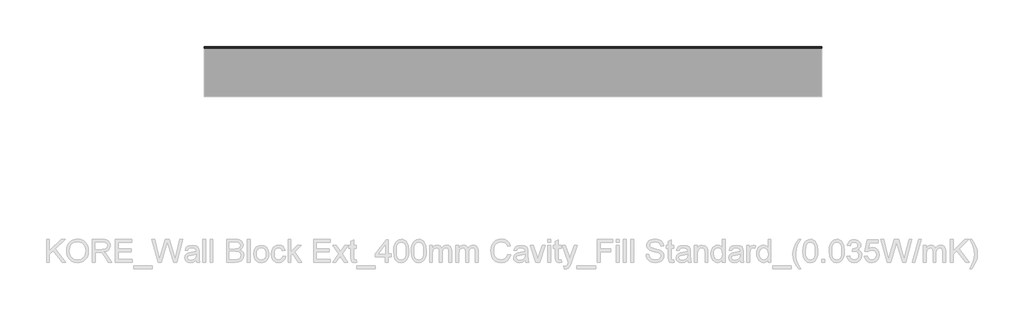
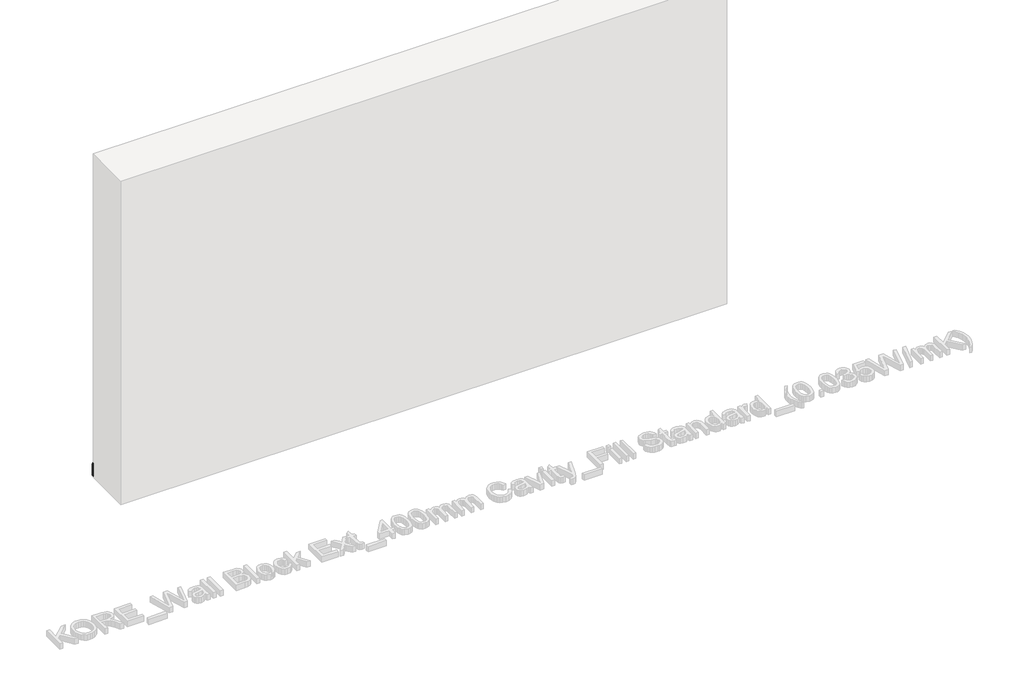
# One storey, part 45 of 60: 1 proxy.
"""IFC4 building model written with IfcOpenShell, lengths in millimetres."""

from ifc_helpers import new_model, si_unit, point, frame, frame_2d, origin, place, context, project, spatial, polyline, circle_curve, trimmed, segment, composite_curve, outline, extrude, element, save

model = new_model("IFC4")

# Units and contexts
model_context = context("Model", 3, world=origin())
ifc_project = project(units=[si_unit("LENGTHUNIT", "METRE", prefix="MILLI")], contexts=[model_context])

# Site, building, storey
site = spatial("IfcSite", under=ifc_project)
building = spatial("IfcBuilding", under=site)
storey = spatial("IfcBuildingStorey", under=building, Elevation=0.0)

# Proxy
placement = place(None, origin())
element("IfcBuildingElementProxy", 1, Name="Wall Sweeps", at=placement, inside=storey, context=model_context, shape_type="SweptSolid", body=[
    extrude(outline(composite_curve([segment(polyline([(12215.4236863, 129.5), (12224.4236863, 129.5), (12224.4236863, 120.2473165)]), True, "CONTINUOUS"), segment(trimmed(circle_curve(frame_2d((12214.8063342, 108.7361681)), 15.0), [point((12224.4236863, 120.2473165))], [point((12229.8063342, 108.7361681))], False, "CARTESIAN"), True, "CONTINUOUS"), segment(polyline([(12229.8063342, 108.7361681), (12229.8063342, 89.9145021), (12233.4236863, 81.1071309), (12233.4236863, 9.5), (12215.4236863, 9.5), (12215.4236863, 129.5)]), True, "CONTINUOUS")], self_intersect=False)), frame((83930.0129216, 0.0, 0.0), z_axis=(1.0, 0.0, 0.0), x_axis=(0.0, 1.0, 0.0)), (0.0, 0.0, 1.0), 5310.0),
])

save(model, "model.ifc")
